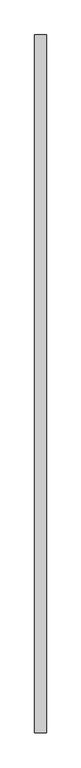
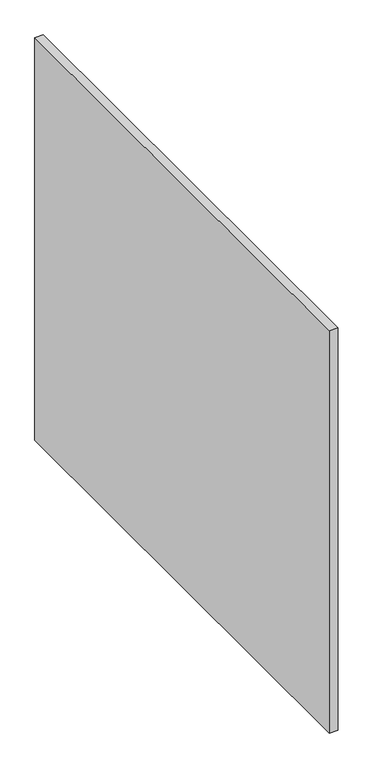
"""IFC4 building model written with IfcOpenShell, lengths in millimetres: proxy geometry."""

from ifc_helpers import new_model, si_unit, origin, origin_with_axes, place, context, project, spatial, polyline, outline, extrude, source, transform, mapped, element, save


def generic_models_f6ac389b(model_context):
    return source(origin(), model_context, "Body", "SweptSolid", [
        extrude(outline(polyline([(50.0, -3000.0), (0.0, -3000.0), (0.0, 0.0), (50.0, 0.0), (50.0, -3000.0)])), origin_with_axes(), (0.0, 0.0, 1.0), 2500.0),
    ])


if __name__ == "__main__":
    model = new_model("IFC4")
    model_context = context("Model", 3, world=origin())
    ifc_project = project(units=[si_unit("LENGTHUNIT", "METRE", prefix="MILLI")], contexts=[model_context])
    site = spatial("IfcSite", under=ifc_project)
    building = spatial("IfcBuilding", under=site)
    placement = place(None, origin())
    generic_models_shape = generic_models_f6ac389b(model_context)
    element("IfcBuildingElementProxy", 1, Name="Generic Models", at=placement, inside=building, context=model_context, shape_type="MappedRepresentation", body=[
        mapped(generic_models_shape, transform((0.0, 0.0, 0.0), x_axis=(1.0, 0.0, 0.0), y_axis=(0.0, 1.0, 0.0), z_axis=(0.0, 0.0, 1.0))),
    ])
    save(model, "model.ifc")
